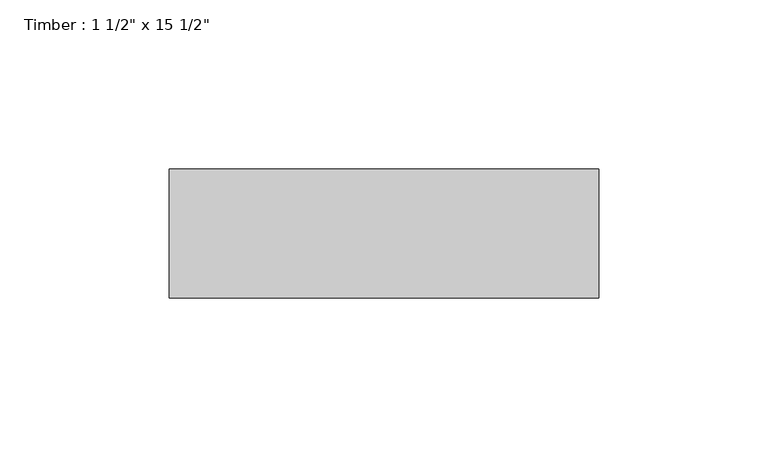
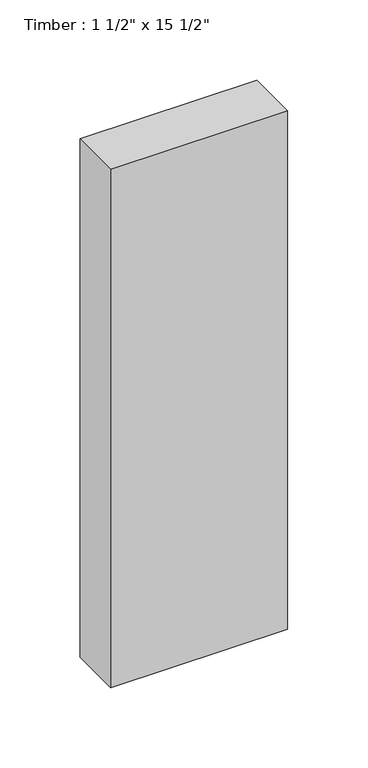
"""IFC4 building model written with IfcOpenShell, lengths in millimetres: beam geometry."""

from ifc_helpers import new_model, si_unit, frame, origin, place, context, project, spatial, polyline, outline, extrude, source, transform, mapped, element, save


def beam_0afc5200(model_context):
    return source(origin(), model_context, "Body", "SweptSolid", [
        extrude(outline(polyline([(63.5, 19.05), (63.5, -19.05), (-63.5, -19.05), (-63.5, 19.05), (63.5, 19.05)])), frame((0.0, 0.0, -196.85), z_axis=(0.0, 0.0, 1.0), x_axis=(1.0, 0.0, 0.0)), (0.0, 0.0, 1.0), 393.7),
    ])


if __name__ == "__main__":
    model = new_model("IFC4")
    model_context = context("Model", 3, world=origin())
    ifc_project = project(units=[si_unit("LENGTHUNIT", "METRE", prefix="MILLI")], contexts=[model_context])
    site = spatial("IfcSite", under=ifc_project)
    building = spatial("IfcBuilding", under=site)
    placement = place(None, origin())
    beam_shape = beam_0afc5200(model_context)
    element("IfcBeam", 1, ObjectType="Timber : 1 1/2\" x 15 1/2\"", at=placement, inside=building, context=model_context, shape_type="MappedRepresentation", body=[
        mapped(beam_shape, transform((0.0, 0.0, 0.0), x_axis=(1.0, 0.0, 0.0), y_axis=(0.0, 1.0, 0.0), z_axis=(0.0, 0.0, 1.0))),
    ])
    save(model, "model.ifc")
